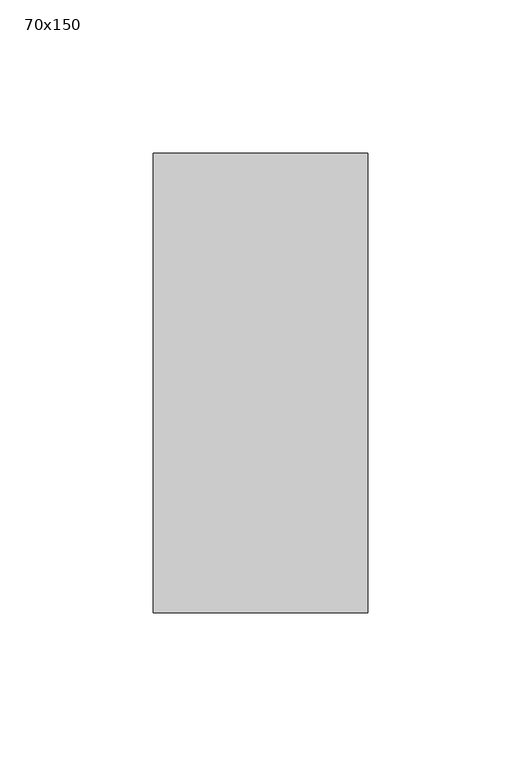
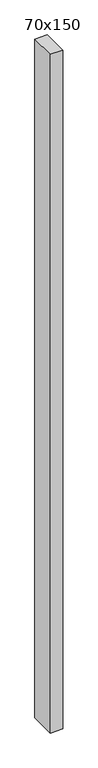
"""IFC4 building model written with IfcOpenShell, lengths in millimetres: member geometry, 70x150."""

from ifc_helpers import new_model, si_unit, frame, origin, place, context, project, spatial, polyline, outline, extrude, source, transform, mapped, element, save


def member_70x150_27deb047(model_context):
    return source(origin(), model_context, "Body", "SweptSolid", [
        extrude(outline(polyline([(35.0, 75.0), (35.0, -75.0), (-35.0, -75.0), (-35.0, 75.0), (35.0, 75.0)])), frame((0.0, 0.0, -4000.0), z_axis=(0.0, 0.0, 1.0), x_axis=(1.0, 0.0, 0.0)), (0.0, 0.0, 1.0), 4000.0),
    ])


if __name__ == "__main__":
    model = new_model("IFC4")
    model_context = context("Model", 3, world=origin())
    ifc_project = project(units=[si_unit("LENGTHUNIT", "METRE", prefix="MILLI")], contexts=[model_context])
    site = spatial("IfcSite", under=ifc_project)
    building = spatial("IfcBuilding", under=site)
    placement = place(None, origin())
    member_70x150_shape = member_70x150_27deb047(model_context)
    element("IfcMember", 1, ObjectType="70x150", at=placement, inside=building, context=model_context, shape_type="MappedRepresentation", body=[
        mapped(member_70x150_shape, transform((0.0, 0.0, 0.0), x_axis=(1.0, 0.0, 0.0), y_axis=(0.0, 1.0, 0.0), z_axis=(0.0, 0.0, 1.0))),
    ])
    save(model, "model.ifc")
